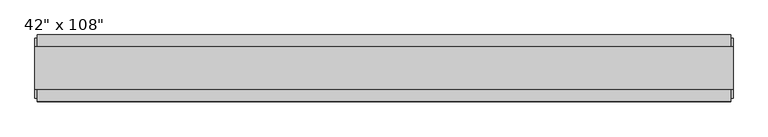
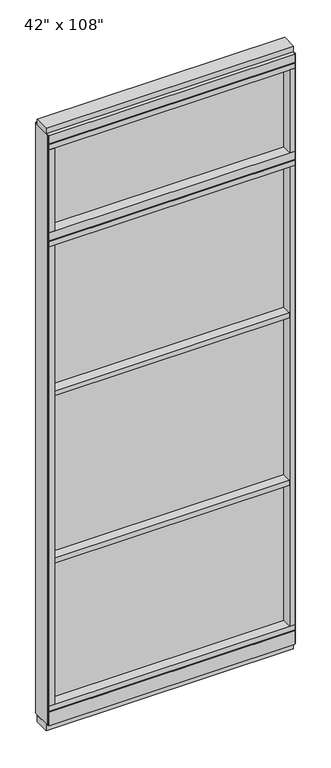
"""IFC4 building model written with IfcOpenShell, lengths in millimetres: furniture geometry."""

from ifc_helpers import new_model, si_unit, frame, origin, origin_with_axes, place, context, project, spatial, polyline, outline, extrude, source, transform, mapped, element, save


def furniture_87bb3cde(model_context):
    return source(origin(), model_context, "Body", "SweptSolid", [
        extrude(outline(polyline([(447.2014771, -9.5977216), (-567.2745229, -9.5977216), (-567.2745229, 0.5622784), (447.2014771, 0.5622784), (447.2014771, -9.5977216)])), frame((0.0, 0.0, 2276.475), z_axis=(0.0, 0.0, 1.0), x_axis=(1.0, 0.0, 0.0)), (0.0, 0.0, 1.0), 355.6),
        extrude(outline(polyline([(-567.2745229, -52.3332216), (-567.2745229, 43.2977784), (447.2014771, 43.2977784), (447.2014771, -52.3332216), (-567.2745229, -52.3332216)])), frame((0.0, 0.0, 1524.0), z_axis=(0.0, 0.0, 1.0), x_axis=(1.0, 0.0, 0.0)), (0.0, 0.0, 1.0), 22.225),
        extrude(outline(polyline([(-567.2745229, -52.3332216), (-567.2745229, 43.2977784), (447.2014771, 43.2977784), (447.2014771, -52.3332216), (-567.2745229, -52.3332216)])), frame((0.0, 0.0, 762.0), z_axis=(0.0, 0.0, 1.0), x_axis=(1.0, 0.0, 0.0)), (0.0, 0.0, 1.0), 22.225),
        extrude(outline(polyline([(447.2014771, -9.5977216), (-567.2745229, -9.5977216), (-567.2745229, 0.5622784), (447.2014771, 0.5622784), (447.2014771, -9.5977216)])), frame((0.0, 0.0, 120.523), z_axis=(0.0, 0.0, 1.0), x_axis=(1.0, 0.0, 0.0)), (0.0, 0.0, 1.0), 2114.677),
        extrude(outline(polyline([(447.2014771, -55.3177216), (447.2014771, 46.2822784), (469.4264771, 46.2822784), (469.4264771, -55.3177216), (447.2014771, -55.3177216)])), frame((0.0, 0.0, 2276.475), z_axis=(0.0, 0.0, 1.0), x_axis=(1.0, 0.0, 0.0)), (0.0, 0.0, 1.0), 377.825),
        extrude(outline(polyline([(-55.3177216, 2240.153), (-55.3177216, 2276.475), (46.2822784, 2276.475), (46.2822784, 2240.153), (41.3292784, 2240.153), (41.3292784, 2235.2), (-50.3647216, 2235.2), (-50.3647216, 2240.153), (-55.3177216, 2240.153)])), frame((-589.4995229, 0.0, 0.0), z_axis=(1.0, 0.0, 0.0), x_axis=(0.0, 1.0, 0.0)), (0.0, 0.0, 1.0), 1058.926),
        extrude(outline(polyline([(-567.2745229, -55.3177216), (-589.4995229, -55.3177216), (-589.4995229, 46.2822784), (-567.2745229, 46.2822784), (-567.2745229, -55.3177216)])), frame((0.0, 0.0, 2276.475), z_axis=(0.0, 0.0, 1.0), x_axis=(1.0, 0.0, 0.0)), (0.0, 0.0, 1.0), 377.825),
        extrude(outline(polyline([(-589.4995229, -55.3177216), (-589.4995229, 46.2822784), (469.4264771, 46.2822784), (469.4264771, -55.3177216), (-589.4995229, -55.3177216)])), frame((0.0, 0.0, 2212.975), z_axis=(0.0, 0.0, 1.0), x_axis=(1.0, 0.0, 0.0)), (0.0, 0.0, 1.0), 22.225),
        extrude(outline(polyline([(-55.3177216, 93.345), (-50.3647216, 93.345), (-50.3647216, 98.298), (41.3292784, 98.298), (41.3292784, 93.345), (46.2822784, 93.345), (46.2822784, 31.75), (-55.3177216, 31.75), (-55.3177216, 93.345)])), frame((-589.4995229, 0.0, 0.0), z_axis=(1.0, 0.0, 0.0), x_axis=(0.0, 1.0, 0.0)), (0.0, 0.0, 1.0), 1058.926),
        extrude(outline(polyline([(-589.4995229, -55.3177216), (-589.4995229, 46.2822784), (469.4264771, 46.2822784), (469.4264771, -55.3177216), (-589.4995229, -55.3177216)])), frame((0.0, 0.0, 98.298), z_axis=(0.0, 0.0, 1.0), x_axis=(1.0, 0.0, 0.0)), (0.0, 0.0, 1.0), 22.225),
        extrude(outline(polyline([(473.3634771, 27.9942784), (473.3634771, -37.0297216), (-593.4365229, -37.0297216), (-593.4365229, 27.9942784), (473.3634771, 27.9942784)])), origin_with_axes(), (0.0, 0.0, 1.0), 31.75),
        extrude(outline(polyline([(-593.4365229, -37.0297216), (-593.4365229, 27.9942784), (473.3634771, 27.9942784), (473.3634771, -37.0297216), (-593.4365229, -37.0297216)])), frame((0.0, 0.0, 2717.8), z_axis=(0.0, 0.0, 1.0), x_axis=(1.0, 0.0, 0.0)), (0.0, 0.0, 1.0), 25.4),
        extrude(outline(polyline([(-55.3177216, 2681.478), (-55.3177216, 2717.8), (46.2822784, 2717.8), (46.2822784, 2681.478), (41.3292784, 2681.478), (41.3292784, 2676.525), (-50.3647216, 2676.525), (-50.3647216, 2681.478), (-55.3177216, 2681.478)])), frame((-589.4995229, 0.0, 0.0), z_axis=(1.0, 0.0, 0.0), x_axis=(0.0, 1.0, 0.0)), (0.0, 0.0, 1.0), 1058.926),
        extrude(outline(polyline([(469.4264771, 46.2822784), (469.4264771, -55.3177216), (-589.4995229, -55.3177216), (-589.4995229, 46.2822784), (469.4264771, 46.2822784)])), frame((0.0, 0.0, 2654.3), z_axis=(0.0, 0.0, 1.0), x_axis=(1.0, 0.0, 0.0)), (0.0, 0.0, 1.0), 22.225),
        extrude(outline(polyline([(447.2014771, -55.3177216), (447.2014771, 46.2822784), (469.4264771, 46.2822784), (469.4264771, -55.3177216), (447.2014771, -55.3177216)])), frame((0.0, 0.0, 120.523), z_axis=(0.0, 0.0, 1.0), x_axis=(1.0, 0.0, 0.0)), (0.0, 0.0, 1.0), 2092.452),
        extrude(outline(polyline([(-567.2745229, -55.3177216), (-589.4995229, -55.3177216), (-589.4995229, 46.2822784), (-567.2745229, 46.2822784), (-567.2745229, -55.3177216)])), frame((0.0, 0.0, 120.523), z_axis=(0.0, 0.0, 1.0), x_axis=(1.0, 0.0, 0.0)), (0.0, 0.0, 1.0), 2092.452),
        extrude(outline(polyline([(473.3634771, -50.3647216), (469.4264771, -50.3647216), (469.4264771, 41.3292784), (473.3634771, 41.3292784), (473.3634771, -50.3647216)])), frame((0.0, 0.0, 31.75), z_axis=(0.0, 0.0, 1.0), x_axis=(1.0, 0.0, 0.0)), (0.0, 0.0, 1.0), 2686.05),
        extrude(outline(polyline([(-593.4365229, -50.3647216), (-593.4365229, 41.3292784), (-589.4995229, 41.3292784), (-589.4995229, -50.3647216), (-593.4365229, -50.3647216)])), frame((0.0, 0.0, 31.75), z_axis=(0.0, 0.0, 1.0), x_axis=(1.0, 0.0, 0.0)), (0.0, 0.0, 1.0), 2686.05),
    ])


if __name__ == "__main__":
    model = new_model("IFC4")
    model_context = context("Model", 3, world=origin())
    ifc_project = project(units=[si_unit("LENGTHUNIT", "METRE", prefix="MILLI")], contexts=[model_context])
    site = spatial("IfcSite", under=ifc_project)
    building = spatial("IfcBuilding", under=site)
    placement = place(None, origin())
    furniture_shape = furniture_87bb3cde(model_context)
    element("IfcFurniture", 1, ObjectType="42\" x 108\"", at=placement, inside=building, context=model_context, shape_type="MappedRepresentation", body=[
        mapped(furniture_shape, transform((0.0, 0.0, 0.0), x_axis=(1.0, 0.0, 0.0), y_axis=(0.0, 1.0, 0.0), z_axis=(0.0, 0.0, 1.0))),
    ])
    save(model, "model.ifc")
